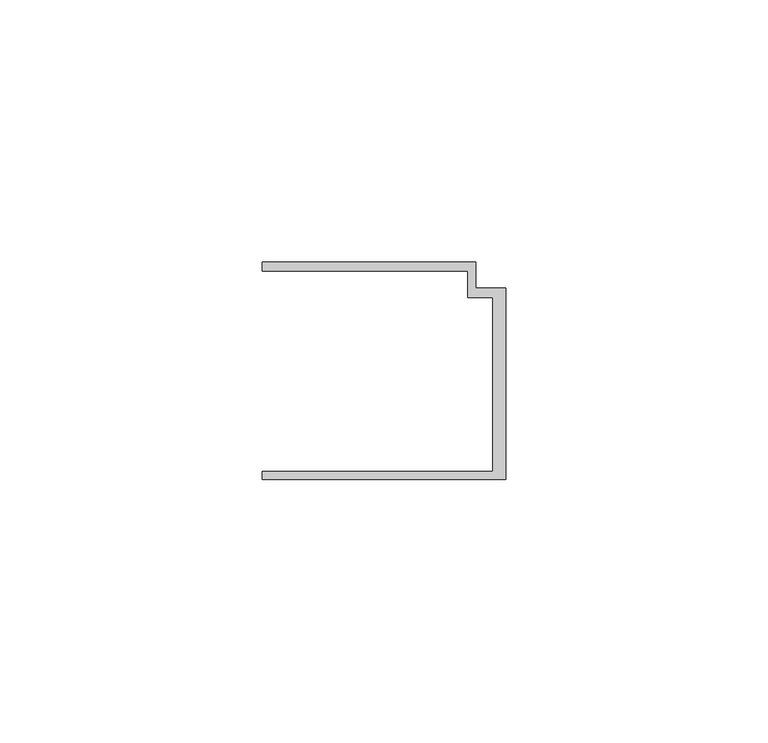
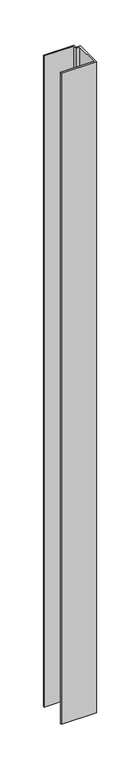
"""IFC4 building model written with IfcOpenShell, lengths in millimetres: member geometry."""

from ifc_helpers import new_model, si_unit, frame, origin, place, context, project, spatial, polyline, outline, extrude, source, transform, mapped, element, save


def member_c626f558(model_context):
    return source(origin(), model_context, "Body", "SweptSolid", [
        extrude(outline(polyline([(-46.3, -19.2), (-2.4, -19.2), (-2.4, 14.0), (-7.2, 14.0), (-7.2, 19.0), (-46.3, 19.0), (-46.3, 20.7), (-5.6999992, 20.7), (-5.6999992, 15.8), (0.0, 15.8), (0.0, -20.7), (-46.3, -20.7), (-46.3, -19.2)])), frame((0.0, 0.0, -912.0605297), z_axis=(0.0, 0.0, 1.0), x_axis=(1.0, 0.0, 0.0)), (0.0, 0.0, 1.0), 912.0605297),
    ])


if __name__ == "__main__":
    model = new_model("IFC4")
    model_context = context("Model", 3, world=origin())
    ifc_project = project(units=[si_unit("LENGTHUNIT", "METRE", prefix="MILLI")], contexts=[model_context])
    site = spatial("IfcSite", under=ifc_project)
    building = spatial("IfcBuilding", under=site)
    placement = place(None, origin())
    member_shape = member_c626f558(model_context)
    element("IfcMember", 1, at=placement, inside=building, context=model_context, shape_type="MappedRepresentation", body=[
        mapped(member_shape, transform((0.0, 0.0, 0.0), x_axis=(1.0, 0.0, 0.0), y_axis=(0.0, 1.0, 0.0), z_axis=(0.0, 0.0, 1.0))),
    ])
    save(model, "model.ifc")
